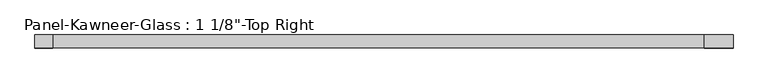
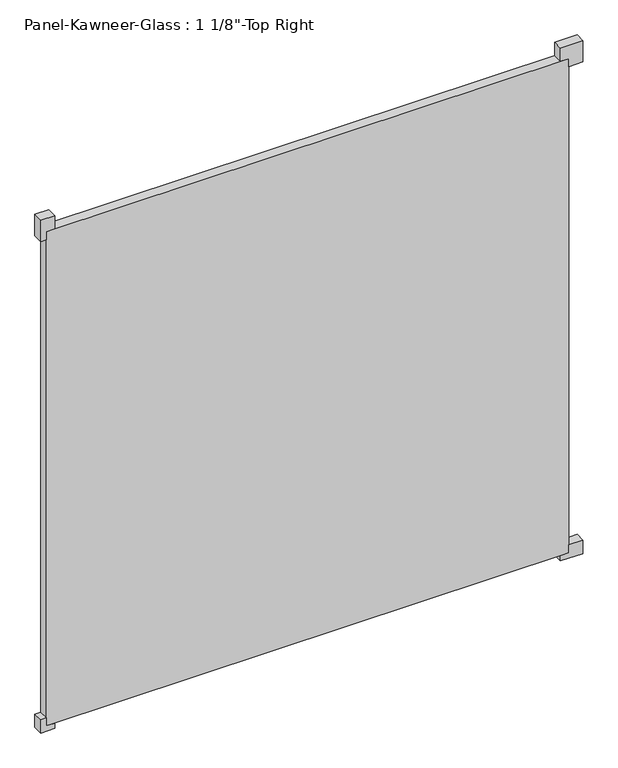
"""IFC4 building model written with IfcOpenShell, lengths in millimetres: plate geometry."""

from ifc_helpers import new_model, si_unit, frame, origin, origin_with_axes, place, context, project, spatial, polyline, outline, extrude, source, transform, mapped, element, save


def plate_05775fe2(model_context):
    return source(origin(), model_context, "Body", "SweptSolid", [
        extrude(outline(polyline([(-15.875, 714.375), (-15.875, 777.875), (23.8125, 777.875), (23.8125, 738.1875), (0.0, 738.1875), (0.0, 714.375), (-15.875, 714.375)])), frame((0.0, -14.2210761, 0.0), z_axis=(0.0, 1.0, 0.0), x_axis=(0.0, 0.0, 1.0)), (0.0, 0.0, 1.0), 28.575),
        extrude(outline(polyline([(-15.875, -714.375), (0.0, -714.375), (0.0, -738.1875), (23.8125, -738.1875), (23.8125, -754.0625), (-15.875, -754.0625), (-15.875, -714.375)])), frame((0.0, -14.2210761, 0.0), z_axis=(0.0, 1.0, 0.0), x_axis=(0.0, 0.0, 1.0)), (0.0, 0.0, 1.0), 28.575),
        extrude(outline(polyline([(1516.0625, 714.375), (1476.375, 714.375), (1476.375, 738.1875), (1452.5625, 738.1875), (1452.5625, 777.875), (1516.0625, 777.875), (1516.0625, 714.375)])), frame((0.0, -14.2210761, 0.0), z_axis=(0.0, 1.0, 0.0), x_axis=(0.0, 0.0, 1.0)), (0.0, 0.0, 1.0), 28.575),
        extrude(outline(polyline([(1516.0625, -714.375), (1516.0625, -754.0625), (1452.5625, -754.0625), (1452.5625, -738.1875), (1476.375, -738.1875), (1476.375, -714.375), (1516.0625, -714.375)])), frame((0.0, -14.2210761, 0.0), z_axis=(0.0, 1.0, 0.0), x_axis=(0.0, 0.0, 1.0)), (0.0, 0.0, 1.0), 28.575),
        extrude(outline(polyline([(738.1875, 14.3539239), (738.1875, -14.2210761), (-738.1875, -14.2210761), (-738.1875, 14.3539239), (738.1875, 14.3539239)])), origin_with_axes(), (0.0, 0.0, 1.0), 1476.375),
    ])


if __name__ == "__main__":
    model = new_model("IFC4")
    model_context = context("Model", 3, world=origin())
    ifc_project = project(units=[si_unit("LENGTHUNIT", "METRE", prefix="MILLI")], contexts=[model_context])
    site = spatial("IfcSite", under=ifc_project)
    building = spatial("IfcBuilding", under=site)
    placement = place(None, origin())
    plate_shape = plate_05775fe2(model_context)
    element("IfcPlate", 1, ObjectType="Panel-Kawneer-Glass : 1 1/8\"-Top Right", at=placement, inside=building, context=model_context, shape_type="MappedRepresentation", body=[
        mapped(plate_shape, transform((0.0, 0.0, 0.0), x_axis=(1.0, 0.0, 0.0), y_axis=(0.0, 1.0, 0.0), z_axis=(0.0, 0.0, 1.0))),
    ])
    save(model, "model.ifc")
